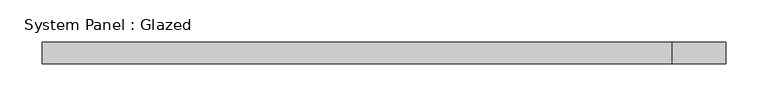
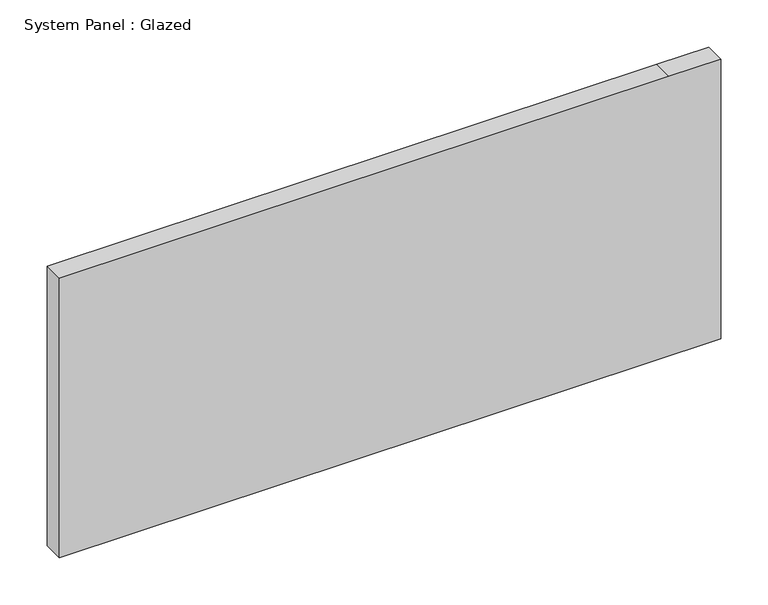
"""IFC4 building model written with IfcOpenShell, lengths in millimetres: plate geometry, System Panel : Glazed."""

from ifc_helpers import new_model, si_unit, frame, origin, place, context, project, spatial, polyline, outline, extrude, source, transform, mapped, element, save


def system_panel_glazed_d47f1ca9(model_context):
    return source(origin(), model_context, "Body", "SweptSolid", [
        extrude(outline(polyline([(0.0, -404.7625), (0.0, 404.7625), (361.6, 404.7625), (361.6, 341.2625), (361.6, -404.7625), (0.0, -404.7625)])), frame((0.0, 19.05, 0.0), z_axis=(0.0, 1.0, 0.0), x_axis=(0.0, 0.0, 1.0)), (0.0, 0.0, 1.0), 25.4),
    ])


if __name__ == "__main__":
    model = new_model("IFC4")
    model_context = context("Model", 3, world=origin())
    ifc_project = project(units=[si_unit("LENGTHUNIT", "METRE", prefix="MILLI")], contexts=[model_context])
    site = spatial("IfcSite", under=ifc_project)
    building = spatial("IfcBuilding", under=site)
    placement = place(None, origin())
    system_panel_glazed_shape = system_panel_glazed_d47f1ca9(model_context)
    element("IfcPlate", 1, ObjectType="System Panel : Glazed", at=placement, inside=building, context=model_context, shape_type="MappedRepresentation", body=[
        mapped(system_panel_glazed_shape, transform((0.0, 0.0, 0.0), x_axis=(1.0, 0.0, 0.0), y_axis=(0.0, 1.0, 0.0), z_axis=(0.0, 0.0, 1.0))),
    ])
    save(model, "model.ifc")
